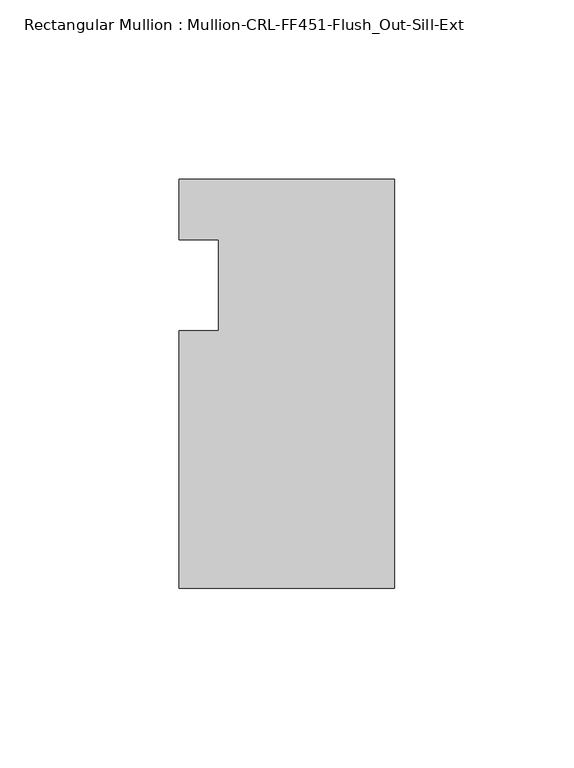
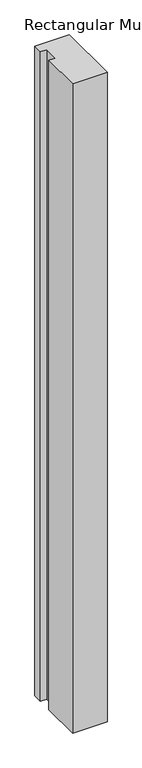
"""IFC4 building model written with IfcOpenShell, lengths in millimetres: member geometry, Rectangular Mullion : Mullion-CRL-FF451-Flush_Out-Sill-Ext."""

from ifc_helpers import new_model, si_unit, frame, origin, place, context, project, spatial, polyline, outline, extrude, source, transform, mapped, element, save


def rectangular_mullion_mullion_crl_ff451_flush_out_sill_ext_7fa39b7d(model_context):
    return source(origin(), model_context, "Body", "SweptSolid", [
        extrude(outline(polyline([(-60.325, -84.6650108), (-60.325, -12.7), (-49.222241, -12.7), (-49.222241, 12.7), (-60.325, 12.7), (-60.325, 29.6349892), (0.0, 29.6349892), (0.0, -84.6650108), (-60.325, -84.6650108)])), frame((0.0, 0.0, -1202.3155522), z_axis=(0.0, 0.0, 1.0), x_axis=(1.0, 0.0, 0.0)), (0.0, 0.0, 1.0), 1202.3155522),
    ])


if __name__ == "__main__":
    model = new_model("IFC4")
    model_context = context("Model", 3, world=origin())
    ifc_project = project(units=[si_unit("LENGTHUNIT", "METRE", prefix="MILLI")], contexts=[model_context])
    site = spatial("IfcSite", under=ifc_project)
    building = spatial("IfcBuilding", under=site)
    placement = place(None, origin())
    rectangular_mullion_mullion_crl_ff451_flush_out_sill_ext_shape = rectangular_mullion_mullion_crl_ff451_flush_out_sill_ext_7fa39b7d(model_context)
    element("IfcMember", 1, ObjectType="Rectangular Mullion : Mullion-CRL-FF451-Flush_Out-Sill-Ext", at=placement, inside=building, context=model_context, shape_type="MappedRepresentation", body=[
        mapped(rectangular_mullion_mullion_crl_ff451_flush_out_sill_ext_shape, transform((0.0, 0.0, 0.0), x_axis=(1.0, 0.0, 0.0), y_axis=(0.0, 1.0, 0.0), z_axis=(0.0, 0.0, 1.0))),
    ])
    save(model, "model.ifc")
